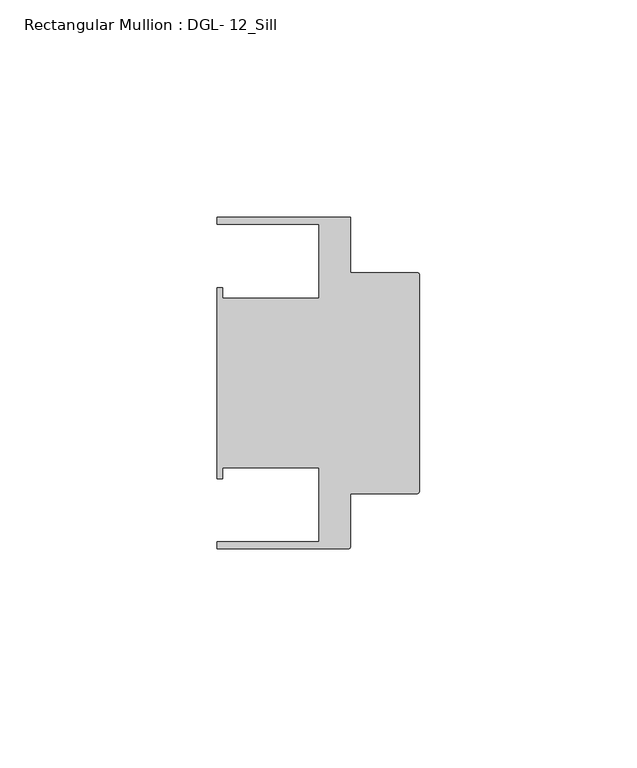
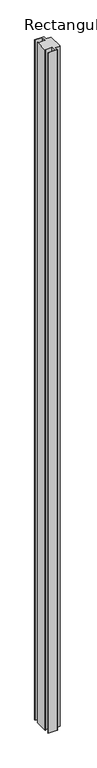
"""IFC4 building model written with IfcOpenShell, lengths in millimetres: member geometry, Rectangular Mullion : DGL- 12_Sill."""

from ifc_helpers import new_model, si_unit, point, frame, frame_2d, origin, place, context, project, spatial, polyline, circle_curve, trimmed, segment, composite_curve, outline, extrude, source, transform, mapped, element, save


def rectangular_mullion_dgl_12_sill_947316c8(model_context):
    return source(origin(), model_context, "Body", "SweptSolid", [
        extrude(outline(composite_curve([segment(trimmed(circle_curve(frame_2d((-0.5953125, 24.8046875)), 0.5953125), [point((-0.5953125, 25.4))], [point((0.0, 24.8046875))], False, "CARTESIAN"), True, "CONTINUOUS"), segment(polyline([(0.0, 24.8046875), (0.0, -24.8046875)]), True, "CONTINUOUS"), segment(trimmed(circle_curve(frame_2d((-0.5953125, -24.8046875)), 0.5953125), [point((0.0, -24.8046875))], [point((-0.5953125, -25.4))], False, "CARTESIAN"), True, "CONTINUOUS"), segment(polyline([(-0.5953125, -25.4), (-15.8750672, -25.4), (-15.8750672, -37.5047035)]), True, "CONTINUOUS"), segment(trimmed(circle_curve(frame_2d((-16.4703797, -37.5047035)), 0.5953125), [point((-15.8750672, -37.5047035))], [point((-16.4703797, -38.100016))], False, "CARTESIAN"), True, "CONTINUOUS"), segment(polyline([(-16.4703797, -38.100016), (-46.54296, -38.100016), (-46.54296, -36.512516), (-23.1202791, -36.512516), (-23.1202791, -19.4824275), (-45.2865266, -19.4824275), (-45.2865266, -21.9710976), (-46.54296, -21.9710976), (-46.54296, 21.9710976), (-45.2865266, 21.9710976), (-45.2865266, 19.4824275), (-23.1202791, 19.4824275), (-23.1202791, 36.512516), (-46.54296, 36.512516), (-46.54296, 38.0996792), (-15.8750672, 38.0996792), (-15.8750672, 25.4), (-0.5953125, 25.4)]), True, "CONTINUOUS")], self_intersect=False)), frame((0.0, 0.0, -2362.2), z_axis=(0.0, 0.0, 1.0), x_axis=(1.0, 0.0, 0.0)), (0.0, 0.0, 1.0), 2362.2),
    ])


if __name__ == "__main__":
    model = new_model("IFC4")
    model_context = context("Model", 3, world=origin())
    ifc_project = project(units=[si_unit("LENGTHUNIT", "METRE", prefix="MILLI")], contexts=[model_context])
    site = spatial("IfcSite", under=ifc_project)
    building = spatial("IfcBuilding", under=site)
    placement = place(None, origin())
    rectangular_mullion_dgl_12_sill_shape = rectangular_mullion_dgl_12_sill_947316c8(model_context)
    element("IfcMember", 1, ObjectType="Rectangular Mullion : DGL- 12_Sill", at=placement, inside=building, context=model_context, shape_type="MappedRepresentation", body=[
        mapped(rectangular_mullion_dgl_12_sill_shape, transform((0.0, 0.0, 0.0), x_axis=(1.0, 0.0, 0.0), y_axis=(0.0, 1.0, 0.0), z_axis=(0.0, 0.0, 1.0))),
    ])
    save(model, "model.ifc")
